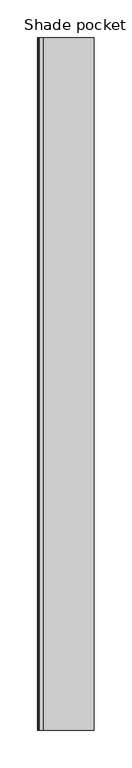
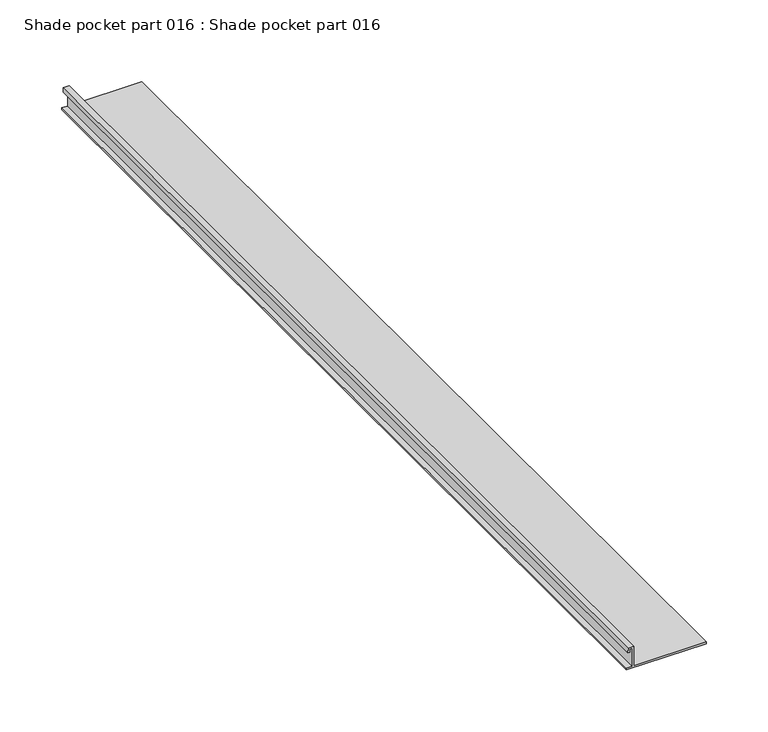
"""IFC4 building model written with IfcOpenShell, lengths in millimetres: proxy geometry, Shade pocket part 016 : Shade pocket part 016."""

from ifc_helpers import new_model, si_unit, frame, origin, place, context, project, spatial, polyline, outline, extrude, source, transform, mapped, element, save


def shade_pocket_part_016_shade_pocket_part_016_cd03ae6c(model_context):
    return source(origin(), model_context, "Body", "SweptSolid", [
        extrude(outline(polyline([(2980.2578286, 37406.8246954), (2975.7335232, 37406.7185668), (2975.7622283, 37408.3706587), (2978.5654231, 37408.3706587), (2978.5654231, 37410.7385407), (2960.7319642, 37410.7385407), (2960.7319642, 37405.3055473), (2959.1577563, 37405.3055473), (2959.1577563, 37479.9812158), (2960.7245205, 37479.9812158), (2960.7245205, 37412.1756214), (2980.2578286, 37412.1756214), (2980.2578286, 37406.8246954)])), frame((0.0, -19576.8262473, 0.0), z_axis=(0.0, 1.0, 0.0), x_axis=(0.0, 0.0, 1.0)), (0.0, 0.0, 1.0), 914.4),
    ])


if __name__ == "__main__":
    model = new_model("IFC4")
    model_context = context("Model", 3, world=origin())
    ifc_project = project(units=[si_unit("LENGTHUNIT", "METRE", prefix="MILLI")], contexts=[model_context])
    site = spatial("IfcSite", under=ifc_project)
    building = spatial("IfcBuilding", under=site)
    placement = place(None, origin())
    shade_pocket_part_016_shade_pocket_part_016_shape = shade_pocket_part_016_shade_pocket_part_016_cd03ae6c(model_context)
    element("IfcBuildingElementProxy", 1, Name="Shade pocket part 016 : Shade pocket part 016", ObjectType="Shade pocket part 016 : Shade pocket part 016", at=placement, inside=building, context=model_context, shape_type="MappedRepresentation", body=[
        mapped(shade_pocket_part_016_shade_pocket_part_016_shape, transform((0.0, 0.0, 0.0), x_axis=(1.0, 0.0, 0.0), y_axis=(0.0, 1.0, 0.0), z_axis=(0.0, 0.0, 1.0))),
    ])
    save(model, "model.ifc")
